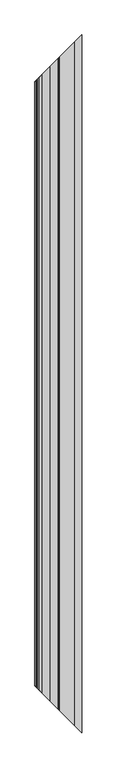
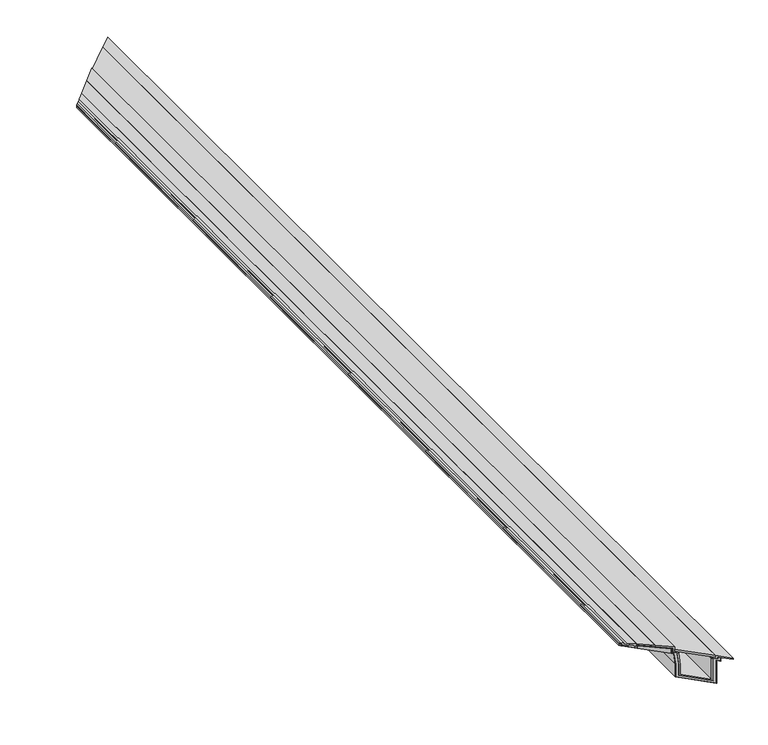
"""IFC4 building model written with IfcOpenShell, lengths in millimetres: proxy geometry."""

from ifc_helpers import new_model, si_unit, frame, origin, place, context, project, spatial, polyline, ellipse_curve, outline, extrude, faceted_brep, source, transform, mapped, element, save
from ifc_brep_helpers import plane_surface, revolved_surface, advanced_brep


def generic_models_a3c1a442(model_context):
    return source(origin(), model_context, "Body", "SolidModel", [
        faceted_brep([(15.0, 4797.0, 263.0859585), (15.0, 4797.0, 245.682064), (0.0, 4782.0, 245.682064), (0.0, 4782.0, 261.2441901), (15.0, -4797.0, 245.682064), (15.0, -4797.0, 263.0859585), (0.0, -4782.0, 261.2441901), (0.0, -4782.0, 245.682064)], [[[0, 1, 2, 3]], [[4, 5, 6, 7]], [[0, 5, 4, 1]], [[1, 4, 7, 2]], [[2, 7, 6, 3]], [[5, 0, 3, 6]]]),
        faceted_brep([(116.0, 4898.0, 290.5998466), (237.7, 5019.7, 305.5427276), (237.7, 5019.7, 293.4526097), (116.0, 4898.0, 278.5097287), (237.7, -5019.7, 305.5427276), (116.0, -4898.0, 290.5998466), (116.0, -4898.0, 278.5097287), (237.7, -5019.7, 293.4526097)], [[[0, 1, 2, 3]], [[4, 5, 6, 7]], [[0, 5, 4, 1]], [[1, 4, 7, 2]], [[2, 7, 6, 3]], [[5, 0, 3, 6]]]),
        extrude(outline(polyline([(625.0, 5407.0), (625.0, -5407.0), (363.5893809, -5145.5893809), (363.5893809, 5145.5893809), (625.0, 5407.0)])), frame((0.0, 0.0, 276.0), z_axis=(0.0, 0.0, 1.0), x_axis=(1.0, 0.0, 0.0)), (0.0, 0.0, 1.0), 22.0),
        faceted_brep([(339.5893809, 5121.5893809, 295.8879544), (339.5893809, -5121.5893809, 295.8879544), (339.5893809, -5121.5893809, 245.682064), (339.5893809, 5121.5893809, 245.682064), (120.5, -4902.5, 245.682064), (120.5, 4902.5, 245.682064), (120.5, -4902.5, 268.9871609), (120.5, 4902.5, 268.9871609)], [[[0, 1, 2, 3]], [[3, 2, 4, 5]], [[5, 4, 6, 7]], [[1, 0, 7, 6]], [[0, 3, 5, 7]], [[2, 1, 6, 4]]]),
        faceted_brep([(20.0, 4802.0, 246.682064), (20.0, -4802.0, 246.682064), (119.5, -4901.5, 246.682064), (119.5, 4901.5, 246.682064), (119.5, 4901.5, 269.8718862), (340.5893809, 5122.5893809, 297.0182488), (340.5893809, 5122.5893809, 246.682064), (357.8456292, 5139.8456292, 246.682064), (368.0, 5150.0, 134.5539912), (368.0, 5150.0, 1.0), (632.0, 5414.0, 1.0), (632.0, 5414.0, 246.682064), (660.0, 5442.0, 246.682064), (660.0, 5442.0, 278.0), (661.0, 5443.0, 278.0), (661.0, 5443.0, 245.682064), (633.0, 5415.0, 245.682064), (633.0, 5415.0, 0.0), (367.0, 5149.0, 0.0), (367.0, 5149.0, 134.5088034), (356.9320974, 5138.9320974, 245.682064), (339.5893809, 5121.5893809, 245.682064), (339.5893809, 5121.5893809, 295.8879544), (120.5, 4902.5, 268.9871609), (120.5, 4902.5, 245.682064), (20.0, 4802.0, 245.682064), (20.0, -4802.0, 245.682064), (120.5, -4902.5, 245.682064), (120.5, -4902.5, 268.9871609), (339.5893809, -5121.5893809, 295.8879544), (339.5893809, -5121.5893809, 245.682064), (356.9320974, -5138.9320974, 245.682064), (367.0, -5149.0, 134.5088034), (367.0, -5149.0, 0.0), (633.0, -5415.0, 0.0), (633.0, -5415.0, 245.682064), (661.0, -5443.0, 245.682064), (661.0, -5443.0, 278.0), (660.0, -5442.0, 278.0), (660.0, -5442.0, 246.682064), (632.0, -5414.0, 246.682064), (632.0, -5414.0, 1.0), (368.0, -5150.0, 1.0), (368.0, -5150.0, 134.5539912), (357.8456292, -5139.8456292, 246.682064), (340.5893809, -5122.5893809, 246.682064), (340.5893809, -5122.5893809, 297.0182488), (119.5, -4901.5, 269.8718862)], [[[0, 1, 2, 3]], [[0, 3, 4, 5, 6, 7, 8, 9, 10, 11, 12, 13, 14, 15, 16, 17, 18, 19, 20, 21, 22, 23, 24, 25]], [[2, 1, 26, 27, 28, 29, 30, 31, 32, 33, 34, 35, 36, 37, 38, 39, 40, 41, 42, 43, 44, 45, 46, 47]], [[3, 2, 47, 4]], [[4, 47, 46, 5]], [[5, 46, 45, 6]], [[6, 45, 44, 7]], [[20, 31, 30, 21]], [[21, 30, 29, 22]], [[22, 29, 28, 23]], [[23, 28, 27, 24]], [[24, 27, 26, 25]], [[1, 0, 25, 26]], [[9, 42, 41, 10]], [[17, 34, 33, 18]], [[18, 33, 32, 19]], [[10, 41, 40, 11]], [[11, 40, 39, 12]], [[34, 17, 16, 35]], [[7, 44, 43, 8]], [[42, 9, 8, 43]], [[31, 20, 19, 32]], [[12, 39, 38, 13]], [[13, 38, 37, 14]], [[14, 37, 36, 15]], [[35, 16, 15, 36]]]),
        faceted_brep([(348.5893809, 5130.5893809, 304.0455842), (348.5893809, 5130.5893809, 262.0), (376.5402742, 5158.5402742, 262.0), (388.0, 5170.0, 135.4577467), (388.0, 5170.0, 21.0), (612.0, 5394.0, 21.0), (612.0, 5394.0, 262.0), (640.0, 5422.0, 262.0), (640.0, 5422.0, 283.0), (661.0, 5443.0, 283.0), (661.0, 5443.0, 278.0), (660.0, 5442.0, 278.0), (660.0, 5442.0, 246.682064), (632.0, 5414.0, 246.682064), (632.0, 5414.0, 1.0), (368.0, 5150.0, 1.0), (368.0, 5150.0, 134.5539912), (357.8456292, 5139.8456292, 246.682064), (340.5893809, 5122.5893809, 246.682064), (340.5893809, 5122.5893809, 297.0182488), (119.5, 4901.5, 269.8718862), (119.5, 4901.5, 246.682064), (20.0, 4802.0, 246.682064), (20.0, 4802.0, 245.682064), (15.0, 4797.0, 245.682064), (15.0, 4797.0, 263.0859585), (20.0, 4802.0, 263.6998813), (20.0, 4802.0, 252.5040499), (55.5685701, 4837.5685701, 256.6579811), (67.5834837, 4849.5834837, 269.5423985), (93.3955598, 4875.3955598, 272.7117229), (104.5, 4886.5, 263.5998466), (116.0, 4898.0, 263.5998466), (116.0, 4898.0, 278.5097287), (237.7, 5019.7, 293.4526097), (237.7, 5019.7, 290.4300803), (348.5893809, -5130.5893809, 262.0), (348.5893809, -5130.5893809, 304.0455842), (237.7, -5019.7, 290.4300803), (237.7, -5019.7, 293.4526097), (116.0, -4898.0, 278.5097287), (116.0, -4898.0, 263.5998466), (104.5, -4886.5, 263.5998466), (93.3955598, -4875.3955598, 272.7117229), (67.5834837, -4849.5834837, 269.5423985), (55.5685701, -4837.5685701, 256.6579811), (20.0, -4802.0, 252.5040499), (20.0, -4802.0, 263.6998813), (15.0, -4797.0, 263.0859585), (15.0, -4797.0, 245.682064), (20.0, -4802.0, 245.682064), (20.0, -4802.0, 246.682064), (119.5, -4901.5, 246.682064), (119.5, -4901.5, 269.8718862), (340.5893809, -5122.5893809, 297.0182488), (340.5893809, -5122.5893809, 246.682064), (357.8456292, -5139.8456292, 246.682064), (368.0, -5150.0, 134.5539912), (368.0, -5150.0, 1.0), (632.0, -5414.0, 1.0), (632.0, -5414.0, 246.682064), (660.0, -5442.0, 246.682064), (660.0, -5442.0, 278.0), (661.0, -5443.0, 278.0), (661.0, -5443.0, 283.0), (640.0, -5422.0, 283.0), (640.0, -5422.0, 262.0), (612.0, -5394.0, 262.0), (612.0, -5394.0, 21.0), (388.0, -5170.0, 21.0), (388.0, -5170.0, 135.4577467), (376.5402742, -5158.5402742, 262.0)], [[[0, 1, 2, 3, 4, 5, 6, 7, 8, 9, 10, 11, 12, 13, 14, 15, 16, 17, 18, 19, 20, 21, 22, 23, 24, 25, 26, 27, 28, 29, 30, 31, 32, 33, 34, 35]], [[36, 37, 38, 39, 40, 41, 42, 43, 44, 45, 46, 47, 48, 49, 50, 51, 52, 53, 54, 55, 56, 57, 58, 59, 60, 61, 62, 63, 64, 65, 66, 67, 68, 69, 70, 71]], [[0, 37, 36, 1]], [[1, 36, 71, 2]], [[17, 56, 55, 18]], [[18, 55, 54, 19]], [[19, 54, 53, 20]], [[20, 53, 52, 21]], [[24, 49, 48, 25]], [[25, 48, 47, 26]], [[26, 47, 46, 27]], [[27, 46, 45, 28]], [[28, 45, 44, 29]], [[29, 44, 43, 30]], [[30, 43, 42, 31]], [[31, 42, 41, 32]], [[32, 41, 40, 33]], [[37, 0, 35, 38]], [[38, 35, 34, 39]], [[4, 69, 68, 5]], [[5, 68, 67, 6]], [[6, 67, 66, 7]], [[13, 60, 59, 14]], [[14, 59, 58, 15]], [[21, 52, 51, 22]], [[2, 71, 70, 3]], [[69, 4, 3, 70]], [[15, 58, 57, 16]], [[56, 17, 16, 57]], [[39, 34, 33, 40]], [[7, 66, 65, 8]], [[8, 65, 64, 9]], [[11, 62, 61, 12]], [[60, 13, 12, 61]], [[9, 64, 63, 10]], [[62, 11, 10, 63]], [[22, 51, 50, 23]], [[49, 24, 23, 50]]]),
        faceted_brep([(400.0, 5182.0, 36.0), (600.0, 5382.0, 36.0), (600.0, 5382.0, 262.0), (612.0, 5394.0, 262.0), (612.0, 5394.0, 21.0), (388.0, 5170.0, 21.0), (388.0, 5170.0, 135.4577467), (376.5402742, 5158.5402742, 262.0), (388.5893809, 5170.5893809, 262.0), (400.0, 5182.0, 136.0), (600.0, -5382.0, 36.0), (400.0, -5182.0, 36.0), (400.0, -5182.0, 136.0), (388.5893809, -5170.5893809, 262.0), (376.5402742, -5158.5402742, 262.0), (388.0, -5170.0, 135.4577467), (388.0, -5170.0, 21.0), (612.0, -5394.0, 21.0), (612.0, -5394.0, 262.0), (600.0, -5382.0, 262.0)], [[[0, 1, 2, 3, 4, 5, 6, 7, 8, 9]], [[10, 11, 12, 13, 14, 15, 16, 17, 18, 19]], [[0, 11, 10, 1]], [[1, 10, 19, 2]], [[2, 19, 18, 3]], [[4, 17, 16, 5]], [[5, 16, 15, 6]], [[6, 15, 14, 7]], [[7, 14, 13, 8]], [[8, 13, 12, 9]], [[11, 0, 9, 12]], [[17, 4, 3, 18]]]),
        advanced_brep(
        [(0.0, 4782.0, 261.2441901), (0.0, -4782.0, 261.2441901), (0.0, -4782.0, 269.8936236), (0.0, 4782.0, 269.8936236), (9.7094451, 4791.7094451, 277.5490075), (32.0, 4814.0, 280.2859435), (37.8105267, 4819.8105267, 264.554064), (57.0, 4839.0, 283.3555575), (116.0, 4898.0, 290.5998466), (116.0, 4898.0, 263.5998466), (104.5, 4886.5, 263.5998466), (93.3955598, 4875.3955598, 272.7117229), (67.5834837, 4849.5834837, 269.5423985), (55.5685701, 4837.5685701, 256.6579811), (20.0, 4802.0, 252.5040499), (20.0, 4802.0, 263.6998813), (20.0, -4802.0, 263.6998813), (20.0, -4802.0, 252.5040499), (55.5685701, -4837.5685701, 256.6579811), (67.5834837, -4849.5834837, 269.5423985), (93.3955598, -4875.3955598, 272.7117229), (104.5, -4886.5, 263.5998466), (116.0, -4898.0, 263.5998466), (116.0, -4898.0, 290.5998466), (57.0, -4839.0, 283.3555575), (37.8105267, -4819.8105267, 264.554064), (32.0, -4814.0, 280.2859435), (9.7094451, -4791.7094451, 277.5490075)],
        [
            (0, 1),
            (1, 2),
            (2, 3),
            (3, 0),
            (3, 4),
            (4, 5),
            (5, 6, ellipse_curve(frame((55.4488943, 4837.4488943, 280.0077377), z_axis=(0.7071067811865468, -0.7071067811865482, 0.0), x_axis=(-0.7071067811865482, -0.7071067811865467, 0.0)), 33.1640783, 23.4505447)),
            (6, 7, ellipse_curve(frame((37.8886508, 4819.8886508, 283.6678042), z_axis=(0.7071067811865468, -0.7071067811865482, 0.0), x_axis=(-0.7071067811865482, -0.7071067811865467, 0.0)), 27.0311364, 19.1138998)),
            (7, 8),
            (8, 9),
            (9, 10),
            (10, 11),
            (11, 12),
            (12, 13),
            (13, 14),
            (14, 15),
            (15, 0),
            (1, 16),
            (16, 17),
            (17, 18),
            (18, 19),
            (19, 20),
            (20, 21),
            (21, 22),
            (22, 23),
            (23, 24),
            (24, 25, ellipse_curve(frame((37.8886508, -4819.8886508, 283.6678042), z_axis=(0.7071067811865468, 0.7071067811865482, 0.0), x_axis=(0.7071067811865481, -0.7071067811865468, 0.0)), 27.0311364, 19.1138998)),
            (25, 26, ellipse_curve(frame((55.4488943, -4837.4488943, 280.0077377), z_axis=(0.7071067811865468, 0.7071067811865482, 0.0), x_axis=(0.7071067811865481, -0.7071067811865468, 0.0)), 33.1640783, 23.4505447)),
            (26, 27),
            (27, 2),
            (27, 4),
            (26, 5),
            (25, 6),
            (24, 7),
            (23, 8),
            (22, 9),
            (21, 10),
            (20, 11),
            (19, 12),
            (18, 13),
            (17, 14),
            (16, 15),
        ],
        [
            plane_surface(frame((0.0, 5522.0, 261.2441901), z_axis=(-1.0, 0.0, 0.0), x_axis=(0.0, -1.0, 0.0))),
            plane_surface(frame((0.0, 4782.0, 321.0), z_axis=(-0.7071067811865468, 0.7071067811865482, 0.0), x_axis=(0.0, 0.0, -1.0))),
            plane_surface(frame((740.0, -5522.0, 321.0), z_axis=(-0.7071067811865468, -0.7071067811865482, 0.0), x_axis=(0.0, 0.0, -1.0))),
            plane_surface(frame((0.0, 5522.0, 269.8936236), z_axis=(-0.6191475432586214, 0.0, 0.7852746778527966), x_axis=(0.0, -1.0, 0.0))),
            plane_surface(frame((9.7094451, 5522.0, 277.5490075), z_axis=(-0.12186934340514402, 0.0, 0.9925461516413224), x_axis=(0.0, -1.0, 0.0))),
            revolved_surface(polyline([(78.899439, -4860.899438957731, 280.0077377), (78.899439, 4860.899438957731, 280.0077377)]), (55.4488943, 5522.0, 280.0077377), (0.0, -1.0, 0.0)),
            revolved_surface(polyline([(57.0025506, -4839.002550651618, 283.6678042), (57.0025506, 4839.002550651618, 283.6678042)]), (37.8886508, 5522.0, 283.6678042), (0.0, -1.0, 0.0)),
            plane_surface(frame((57.0, 5522.0, 283.3555575), z_axis=(-0.12186934340514415, 0.0, 0.9925461516413225), x_axis=(0.0, -1.0, 0.0))),
            plane_surface(frame((116.0, 5522.0, 290.5998466), z_axis=(1.0, 0.0, 0.0), x_axis=(0.0, -1.0, 0.0))),
            plane_surface(frame((116.0, 5522.0, 263.5998466), z_axis=(0.0, 0.0, -1.0), x_axis=(0.0, -1.0, 0.0))),
            plane_surface(frame((104.5, 5522.0, 263.5998466), z_axis=(-0.63433911210237, 0.0, -0.7730549080480486), x_axis=(0.0, -1.0, 0.0))),
            plane_surface(frame((93.3955598, 5522.0, 272.7117229), z_axis=(0.12186934340514435, 0.0, -0.9925461516413224), x_axis=(0.0, -1.0, 0.0))),
            plane_surface(frame((67.5834837, 5522.0, 269.5423985), z_axis=(0.7313537016191691, 0.0, -0.6819983600624999), x_axis=(0.0, -1.0, 0.0))),
            plane_surface(frame((55.5685701, 5522.0, 256.6579811), z_axis=(0.11599818969749838, 0.0, -0.9932494248610987), x_axis=(0.0, -1.0, 0.0))),
            plane_surface(frame((20.0, 5522.0, 252.5040499), z_axis=(-1.0, 0.0, 0.0), x_axis=(0.0, -1.0, 0.0))),
            plane_surface(frame((20.0, 5522.0, 263.6998813), z_axis=(0.1218693434051437, 0.0, -0.9925461516413225), x_axis=(0.0, -1.0, 0.0))),
        ],
        [
            (0, [[1, 2, 3, 4]]),
            (1, [[-4, 5, 6, 7, 8, 9, 10, 11, 12, 13, 14, 15, 16, 17]]),
            (2, [[-2, 18, 19, 20, 21, 22, 23, 24, 25, 26, 27, 28, 29, 30]]),
            (3, [[-3, -30, 31, -5]]),
            (4, [[-31, -29, 32, -6]]),
            (5, [[-32, -28, 33, -7]]),
            (6, [[-33, -27, 34, -8]]),
            (7, [[-34, -26, 35, -9]]),
            (8, [[-35, -25, 36, -10]]),
            (9, [[-36, -24, 37, -11]]),
            (10, [[-37, -23, 38, -12]]),
            (11, [[-38, -22, 39, -13]]),
            (12, [[-39, -21, 40, -14]]),
            (13, [[-40, -20, 41, -15]]),
            (14, [[-41, -19, 42, -16]]),
            (15, [[-1, -17, -42, -18]]),
        ],
    ),
        faceted_brep([(237.7, 5019.7, 305.5427276), (363.5893809, 5145.5893809, 321.0), (363.5893809, 5145.5893809, 276.0), (388.5893809, 5170.5893809, 276.0), (388.5893809, 5170.5893809, 262.0), (348.5893809, 5130.5893809, 262.0), (348.5893809, 5130.5893809, 304.0455842), (237.7, 5019.7, 290.4300803), (363.5893809, -5145.5893809, 321.0), (237.7, -5019.7, 305.5427276), (237.7, -5019.7, 290.4300803), (348.5893809, -5130.5893809, 304.0455842), (348.5893809, -5130.5893809, 262.0), (388.5893809, -5170.5893809, 262.0), (388.5893809, -5170.5893809, 276.0), (363.5893809, -5145.5893809, 276.0)], [[[0, 1, 2, 3, 4, 5, 6, 7]], [[8, 9, 10, 11, 12, 13, 14, 15]], [[0, 9, 8, 1]], [[1, 8, 15, 2]], [[2, 15, 14, 3]], [[3, 14, 13, 4]], [[4, 13, 12, 5]], [[5, 12, 11, 6]], [[6, 11, 10, 7]], [[9, 0, 7, 10]]]),
        faceted_brep([(625.0, 5407.0, 276.0), (625.0, 5407.0, 298.0), (740.0, 5522.0, 298.0), (740.0, 5522.0, 283.0), (640.0, 5422.0, 283.0), (640.0, 5422.0, 262.0), (600.0, 5382.0, 262.0), (600.0, 5382.0, 276.0), (625.0, -5407.0, 298.0), (625.0, -5407.0, 276.0), (600.0, -5382.0, 276.0), (600.0, -5382.0, 262.0), (640.0, -5422.0, 262.0), (640.0, -5422.0, 283.0), (740.0, -5522.0, 283.0), (740.0, -5522.0, 298.0)], [[[0, 1, 2, 3, 4, 5, 6, 7]], [[8, 9, 10, 11, 12, 13, 14, 15]], [[0, 9, 8, 1]], [[15, 2, 1, 8]], [[2, 15, 14, 3]], [[3, 14, 13, 4]], [[4, 13, 12, 5]], [[5, 12, 11, 6]], [[6, 11, 10, 7]], [[9, 0, 7, 10]]]),
    ])


if __name__ == "__main__":
    model = new_model("IFC4")
    model_context = context("Model", 3, world=origin())
    ifc_project = project(units=[si_unit("LENGTHUNIT", "METRE", prefix="MILLI")], contexts=[model_context])
    site = spatial("IfcSite", under=ifc_project)
    building = spatial("IfcBuilding", under=site)
    placement = place(None, origin())
    generic_models_shape = generic_models_a3c1a442(model_context)
    element("IfcBuildingElementProxy", 1, Name="Generic Models", at=placement, inside=building, context=model_context, shape_type="MappedRepresentation", body=[
        mapped(generic_models_shape, transform((0.0, 0.0, 0.0), x_axis=(1.0, 0.0, 0.0), y_axis=(0.0, 1.0, 0.0), z_axis=(0.0, 0.0, 1.0))),
    ])
    save(model, "model.ifc")
